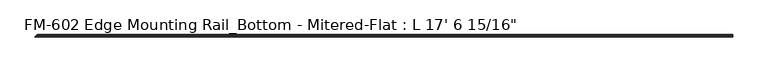
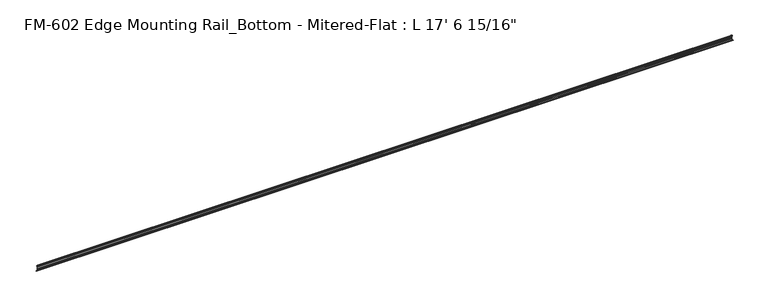
"""IFC4 building model written with IfcOpenShell, lengths in millimetres: proxy geometry."""

from ifc_helpers import new_model, si_unit, frame, origin, place, context, project, spatial, polyline, circle_curve, ellipse_curve, source, transform, mapped, element, save
from ifc_brep_helpers import plane_surface, cylinder_surface, revolved_surface, advanced_brep


def proxy_639413b2(model_context):
    return source(origin(), model_context, "Body", "AdvancedBrep", [
        advanced_brep(
        [(5357.8125, 13.6400687, 32.1158903), (5357.8125, 11.9462301, 30.7938136), (5357.8125, 13.6400687, 26.2967369), (5357.8125, 15.4364113, 25.7360779), (5357.8125, 16.1779173, 26.4138515), (5357.8125, 16.9376166, 27.3612928), (5357.8125, 17.4625, 26.8535734), (5357.8125, 17.4625, 15.6659614), (5357.8125, 17.9716639, 14.7485418), (5357.8125, 17.9716639, 13.408381), (5357.8125, 17.4625, 12.4909614), (5357.8125, 17.4625, 3.5152595), (5357.8125, 15.5573314, 1.6102595), (5357.8125, 6.3856306, 1.6018315), (5357.8125, 3.2106953, 1.5875), (5357.8125, 0.0, 1.5875), (5357.8125, 0.0, 0.0), (5357.8125, 19.05, 0.0), (5357.8125, 19.05, 29.1395734), (5357.8125, 17.7424378, 29.1395734), (5357.8125, 16.1549378, 30.7270734), (5357.8125, 16.1549378, 32.2686835), (5357.8125, 15.4750158, 32.6885982), (16.4726677, 15.4750158, 32.6885982), (14.6377207, 13.6400687, 32.1158903), (17.1525898, 16.1549378, 32.2686835), (17.1525898, 16.1549378, 30.7270734), (18.7400898, 17.7424378, 29.1395734), (20.047652, 19.05, 29.1395734), (20.047652, 19.05, 0.0), (0.997652, 0.0, 0.0), (18.460152, 17.4625, 3.5152595), (16.5549834, 15.5573314, 1.6102595), (18.460152, 17.4625, 12.4909614), (18.9693158, 17.9716639, 13.408381), (18.9693158, 17.9716639, 14.7485418), (18.460152, 17.4625, 15.6659614), (18.460152, 17.4625, 26.8535734), (17.9352686, 16.9376166, 27.3612928), (17.1755692, 16.1779173, 26.4138515), (16.4340633, 15.4364113, 25.7360779), (14.6377207, 13.6400687, 26.2967369), (12.943882, 11.9462301, 30.7938136), (0.997652, 0.0, 1.5875), (4.2083473, 3.2106953, 1.5875), (7.3832826, 6.3856306, 1.6018315)],
        [
            (0, 1, circle_curve(frame((5357.8125, 14.5481808, 29.2063136), z_axis=(1.0, 0.0, 0.0), x_axis=(0.0, -1.0, 0.0)), 3.048)),
            (1, 2, circle_curve(frame((5357.8125, 14.5481808, 29.2063136), z_axis=(1.0, 0.0, 0.0), x_axis=(0.0, -1.0, 0.0)), 3.048)),
            (2, 3),
            (3, 4, circle_curve(frame((5357.8125, 15.6245238, 26.2747792), z_axis=(1.0, 0.0, 0.0), x_axis=(0.0, -1.0, 0.0)), 0.5706009)),
            (4, 5, circle_curve(frame((5357.8125, 16.9169378, 26.5995734), z_axis=(-1.0, 0.0, 0.0), x_axis=(0.0, -1.0, 0.0)), 0.762)),
            (5, 6, circle_curve(frame((5357.8125, 16.9545, 26.8535734), z_axis=(-1.0, 0.0, 0.0), x_axis=(0.0, -1.0, 0.0)), 0.508)),
            (6, 7),
            (7, 8),
            (8, 9),
            (9, 10),
            (10, 11),
            (11, 12, circle_curve(frame((5357.8125, 15.5575, 3.5152595), z_axis=(-1.0, 0.0, 0.0), x_axis=(0.0, -1.0, 0.0)), 1.905)),
            (12, 13),
            (13, 14, circle_curve(frame((5357.8125, 4.7981953, 1.5875), z_axis=(1.0, 0.0, 0.0), x_axis=(0.0, -1.0, 0.0)), 1.5875)),
            (14, 15),
            (15, 16),
            (16, 17),
            (17, 18),
            (18, 19),
            (19, 20, circle_curve(frame((5357.8125, 17.7424378, 30.7270734), z_axis=(-1.0, 0.0, 0.0), x_axis=(0.0, -1.0, 0.0)), 1.5875)),
            (20, 21),
            (21, 22, circle_curve(frame((5357.8125, 15.6853088, 32.2686835), z_axis=(1.0, 0.0, 0.0), x_axis=(0.0, -1.0, 0.0)), 0.4696291)),
            (22, 0),
            (22, 23),
            (23, 24),
            (24, 0),
            (21, 25),
            (25, 23, ellipse_curve(frame((16.6829607, 15.6853088, 32.2686835), z_axis=(0.7071067811864319, -0.7071067811866631, 0.0), x_axis=(-0.7071067811866631, -0.7071067811864319, 0.0)), 0.6641558, 0.4696291)),
            (20, 26),
            (26, 25),
            (19, 27),
            (27, 26, ellipse_curve(frame((18.7400898, 17.7424378, 30.7270734), z_axis=(-0.7071067811864319, 0.7071067811866631, 0.0), x_axis=(0.7071067811866631, 0.7071067811864319, 0.0)), 2.245064, 1.5875)),
            (18, 28),
            (28, 27),
            (17, 29),
            (29, 28),
            (16, 30),
            (30, 29),
            (11, 31),
            (31, 32, ellipse_curve(frame((16.555152, 15.5575, 3.5152595), z_axis=(-0.7071067811864319, 0.7071067811866631, 0.0), x_axis=(0.7071067811866631, 0.7071067811864319, 0.0)), 2.6940768, 1.905)),
            (32, 12),
            (10, 33),
            (33, 31),
            (9, 34),
            (34, 33),
            (8, 35),
            (35, 34),
            (7, 36),
            (36, 35),
            (6, 37),
            (37, 36),
            (5, 38),
            (38, 37, ellipse_curve(frame((17.952152, 16.9545, 26.8535734), z_axis=(-0.7071067811864319, 0.7071067811866631, 0.0), x_axis=(0.7071067811866631, 0.7071067811864319, 0.0)), 0.7184205, 0.508)),
            (4, 39),
            (39, 38, ellipse_curve(frame((17.9145898, 16.9169378, 26.5995734), z_axis=(-0.7071067811864319, 0.7071067811866631, 0.0), x_axis=(0.7071067811866631, 0.7071067811864319, 0.0)), 1.0776307, 0.762)),
            (3, 40),
            (40, 39, ellipse_curve(frame((16.6221758, 15.6245238, 26.2747792), z_axis=(0.7071067811864319, -0.7071067811866631, 0.0), x_axis=(-0.7071067811866631, -0.7071067811864319, 0.0)), 0.8069516, 0.5706009)),
            (2, 41),
            (41, 40),
            (1, 42),
            (42, 41, ellipse_curve(frame((15.5458328, 14.5481808, 29.2063136), z_axis=(0.7071067811864319, -0.7071067811866631, 0.0), x_axis=(-0.7071067811866631, -0.7071067811864319, 0.0)), 4.3105229, 3.048)),
            (24, 42, ellipse_curve(frame((15.5458328, 14.5481808, 29.2063136), z_axis=(0.7071067811864319, -0.7071067811866631, 0.0), x_axis=(-0.7071067811866631, -0.7071067811864319, 0.0)), 4.3105229, 3.048)),
            (15, 43),
            (43, 30),
            (14, 44),
            (44, 43),
            (13, 45),
            (45, 44, ellipse_curve(frame((5.7958473, 4.7981953, 1.5875), z_axis=(0.7071067811864319, -0.7071067811866631, 0.0), x_axis=(-0.7071067811866631, -0.7071067811864319, 0.0)), 2.245064, 1.5875)),
            (32, 45),
        ],
        [
            plane_surface(frame((5357.8125, 13.6400687, 32.1158903), z_axis=(1.0, 0.0, 0.0), x_axis=(0.0, -0.9545855229405114, -0.2979370393092986))),
            plane_surface(frame((0.0, 13.6400687, 32.1158903), z_axis=(0.0, -0.2979370393092986, 0.9545855229405114), x_axis=(1.0, 0.0, 0.0))),
            cylinder_surface(frame((5357.8125, 15.6853088, 32.2686835), z_axis=(-1.0, 0.0, 0.0), x_axis=(0.0, -1.0, 0.0)), 0.4696291),
            plane_surface(frame((0.0, 16.1549378, 32.2686835), z_axis=(0.0, 1.0, 0.0), x_axis=(1.0, 0.0, 0.0))),
            revolved_surface(polyline([(5357.8125, 16.154937800000003, 30.7270734), (17.152589799999987, 16.154937800000003, 30.7270734)]), (5357.8125, 17.7424378, 30.7270734), (1.0, 0.0, 0.0)),
            plane_surface(frame((0.0, 17.7424378, 29.1395734), z_axis=(0.0, 0.0, 1.0), x_axis=(1.0, 0.0, 0.0))),
            plane_surface(frame((0.0, 19.05, 29.1395734), z_axis=(0.0, 1.0, 0.0), x_axis=(1.0, 0.0, 0.0))),
            plane_surface(frame((0.0, 19.05, 0.0), z_axis=(0.0, 0.0, -1.0), x_axis=(1.0, 0.0, 0.0))),
            revolved_surface(polyline([(5357.8125, 13.6525, 3.5152595), (14.650152025682473, 13.6525, 3.5152595)]), (5357.8125, 15.5575, 3.5152595), (1.0, 0.0, 0.0)),
            plane_surface(frame((0.0, 17.4625, 3.5152595), z_axis=(0.0, -1.0, 0.0), x_axis=(1.0, 0.0, 0.0))),
            plane_surface(frame((0.0, 17.4625, 12.4909614), z_axis=(0.0, -0.8743650443659691, 0.48526875975164224), x_axis=(1.0, 0.0, 0.0))),
            plane_surface(frame((0.0, 17.9716639, 13.408381), z_axis=(0.0, -1.0, 0.0), x_axis=(1.0, 0.0, 0.0))),
            plane_surface(frame((0.0, 17.9716639, 14.7485418), z_axis=(0.0, -0.8743650443696134, -0.48526875974507594), x_axis=(1.0, 0.0, 0.0))),
            plane_surface(frame((0.0, 17.4625, 15.6659614), z_axis=(0.0, -1.0, 0.0), x_axis=(1.0, 0.0, 0.0))),
            revolved_surface(polyline([(5357.8125, 16.4465, 26.8535734), (17.444151992705883, 16.4465, 26.8535734)]), (5357.8125, 16.9545, 26.8535734), (1.0, 0.0, 0.0)),
            revolved_surface(polyline([(5357.8125, 16.1549378, 26.5995734), (17.152589824414463, 16.1549378, 26.5995734)]), (5357.8125, 16.9169378, 26.5995734), (1.0, 0.0, 0.0)),
            cylinder_surface(frame((5357.8125, 15.6245238, 26.2747792), z_axis=(-1.0, 0.0, 0.0), x_axis=(0.0, -1.0, 0.0)), 0.5706009),
            plane_surface(frame((0.0, 15.4364113, 25.7360779), z_axis=(0.0, -0.2979370393102586, -0.9545855229402117), x_axis=(1.0, 0.0, 0.0))),
            cylinder_surface(frame((5357.8125, 14.5481808, 29.2063136), z_axis=(-1.0, 0.0, 0.0), x_axis=(0.0, -1.0, 0.0)), 3.048),
            plane_surface(frame((0.0, 0.0, 0.0), z_axis=(0.0, -1.0, 0.0), x_axis=(1.0, 0.0, 0.0))),
            plane_surface(frame((0.0, 0.0, 1.5875), z_axis=(0.0, 0.0, 1.0), x_axis=(1.0, 0.0, 0.0))),
            cylinder_surface(frame((5357.8125, 4.7981953, 1.5875), z_axis=(-1.0, 0.0, 0.0), x_axis=(0.0, -1.0, 0.0)), 1.5875),
            plane_surface(frame((0.0, 6.3856306, 1.6018315), z_axis=(0.0, -0.0009189159949701764, 0.999999577796608), x_axis=(1.0, 0.0, 0.0))),
            plane_surface(frame((0.0, -0.997652, 33.4603096), z_axis=(-0.7071067811864319, 0.7071067811866631, 0.0), x_axis=(0.0, 0.0, -1.0))),
        ],
        [
            (0, [[1, 2, 3, 4, 5, 6, 7, 8, 9, 10, 11, 12, 13, 14, 15, 16, 17, 18, 19, 20, 21, 22, 23]]),
            (1, [[-23, 24, 25, 26]]),
            (2, [[-22, 27, 28, -24]]),
            (3, [[-21, 29, 30, -27]]),
            (4, [[-20, 31, 32, -29]]),
            (5, [[-19, 33, 34, -31]]),
            (6, [[-18, 35, 36, -33]]),
            (7, [[-17, 37, 38, -35]]),
            (8, [[-12, 39, 40, 41]]),
            (9, [[-11, 42, 43, -39]]),
            (10, [[-10, 44, 45, -42]]),
            (11, [[-9, 46, 47, -44]]),
            (12, [[-8, 48, 49, -46]]),
            (13, [[-7, 50, 51, -48]]),
            (14, [[-6, 52, 53, -50]]),
            (15, [[-5, 54, 55, -52]]),
            (16, [[-4, 56, 57, -54]]),
            (17, [[-3, 58, 59, -56]]),
            (18, [[-2, 60, 61, -58]]),
            (18, [[-1, -26, 62, -60]]),
            (19, [[-16, 63, 64, -37]]),
            (20, [[-15, 65, 66, -63]]),
            (21, [[-14, 67, 68, -65]]),
            (22, [[-13, -41, 69, -67]]),
            (23, [[-25, -28, -30, -32, -34, -36, -38, -64, -66, -68, -69, -40, -43, -45, -47, -49, -51, -53, -55, -57, -59, -61, -62]]),
        ],
    ),
    ])


if __name__ == "__main__":
    model = new_model("IFC4")
    model_context = context("Model", 3, world=origin())
    ifc_project = project(units=[si_unit("LENGTHUNIT", "METRE", prefix="MILLI")], contexts=[model_context])
    site = spatial("IfcSite", under=ifc_project)
    building = spatial("IfcBuilding", under=site)
    placement = place(None, origin())
    proxy_shape = proxy_639413b2(model_context)
    element("IfcBuildingElementProxy", 1, Name="FM-602 Edge Mounting Rail_Bottom - Mitered-Flat : L 17' 6 15/16\"", ObjectType="FM-602 Edge Mounting Rail_Bottom - Mitered-Flat : L 17' 6 15/16\"", at=placement, inside=building, context=model_context, shape_type="MappedRepresentation", body=[
        mapped(proxy_shape, transform((0.0, 0.0, 0.0), x_axis=(1.0, 0.0, 0.0), y_axis=(0.0, 1.0, 0.0), z_axis=(0.0, 0.0, 1.0))),
    ])
    save(model, "model.ifc")
